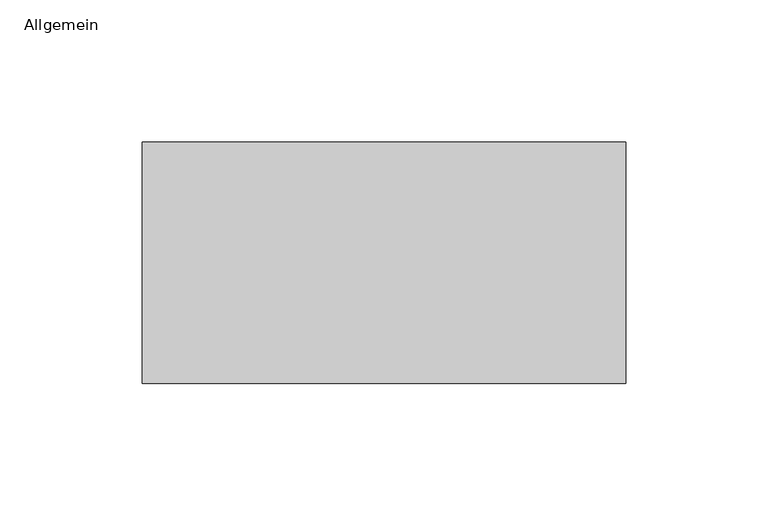
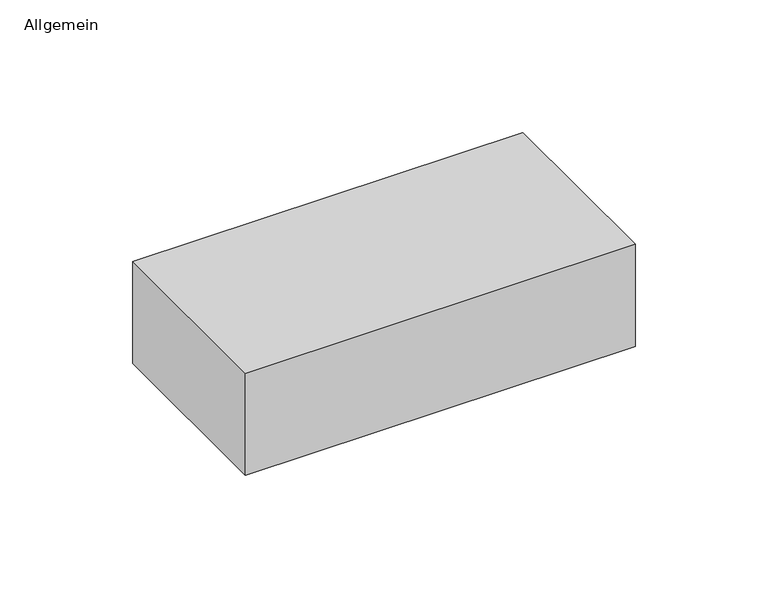
"""IFC4 building model written with IfcOpenShell, lengths in millimetres: proxy geometry, Allgemein."""

from ifc_helpers import new_model, si_unit, origin, origin_with_axes, place, context, project, spatial, polyline, outline, extrude, source, transform, mapped, element, save


def allgemein_9481b029(model_context):
    return source(origin(), model_context, "Body", "SweptSolid", [
        extrude(outline(polyline([(85.0, 42.5), (85.0, -42.5), (-85.0, -42.5), (-85.0, 42.5), (85.0, 42.5)])), origin_with_axes(), (0.0, 0.0, 1.0), 47.0),
    ])


if __name__ == "__main__":
    model = new_model("IFC4")
    model_context = context("Model", 3, world=origin())
    ifc_project = project(units=[si_unit("LENGTHUNIT", "METRE", prefix="MILLI")], contexts=[model_context])
    site = spatial("IfcSite", under=ifc_project)
    building = spatial("IfcBuilding", under=site)
    placement = place(None, origin())
    allgemein_shape = allgemein_9481b029(model_context)
    element("IfcBuildingElementProxy", 1, Name="Allgemein", ObjectType="Allgemein", at=placement, inside=building, context=model_context, shape_type="MappedRepresentation", body=[
        mapped(allgemein_shape, transform((0.0, 0.0, 0.0), x_axis=(1.0, 0.0, 0.0), y_axis=(0.0, 1.0, 0.0), z_axis=(0.0, 0.0, 1.0))),
    ])
    save(model, "model.ifc")
